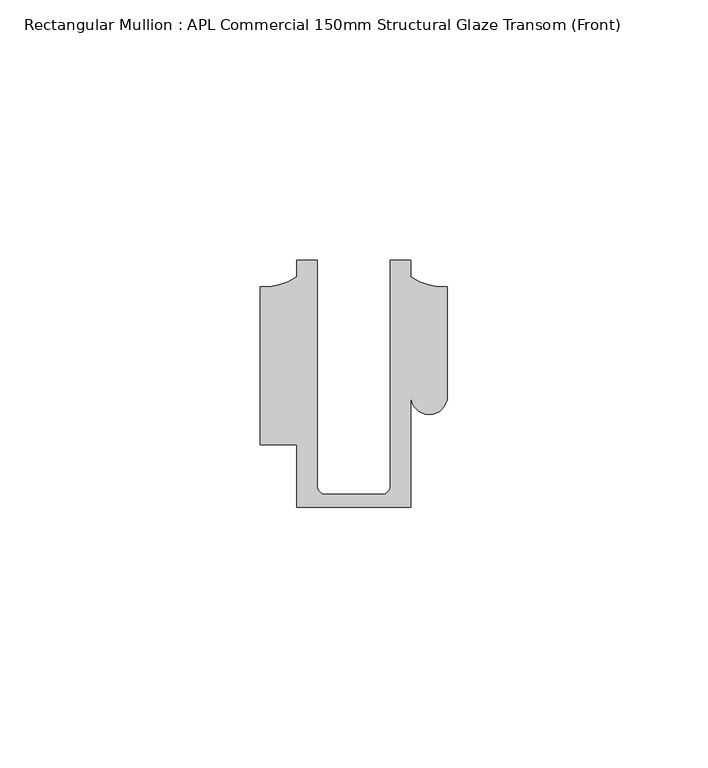
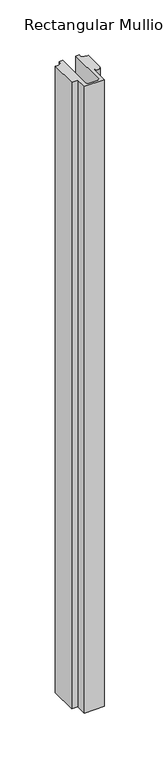
"""IFC4 building model written with IfcOpenShell, lengths in millimetres: member geometry, Rectangular Mullion : APL Commercial 150mm Structural Glaze Transom (Front)."""

from ifc_helpers import new_model, si_unit, frame, origin, place, context, project, spatial, polyline, circle_curve, source, transform, mapped, element, save
from ifc_brep_helpers import plane_surface, cylinder_surface, revolved_surface, advanced_brep


def rectangular_mullion_apl_commercial_150mm_structural_glaze_bbd1951e(model_context):
    return source(origin(), model_context, "Body", "AdvancedBrep", [
        advanced_brep(
        [(-11.0000151, -27.0, 0.0), (11.001071, -27.0, 0.0), (11.001071, -5.5848769, 0.0), (17.9999091, -5.6750512, 0.0), (17.9999542, 15.3797475, 0.0), (11.0000151, 17.3125212, 0.0), (11.0000151, 20.5, 0.0), (6.9999849, 20.5, 0.0), (6.9999849, -22.9973451, 0.0), (5.4999872, -24.5, 0.0), (-5.4999873, -24.5, 0.0), (-6.9999853, -22.9976091, 0.0), (-6.9999853, 20.5, 0.0), (-10.9999994, 20.5, 0.0), (-10.9999994, 17.3125325, 0.0), (-17.9999542, 15.3797475, 0.0), (-17.9999542, -15.0006281, 0.0), (-11.0000151, -15.0006281, 0.0), (-11.0000151, -27.0, -724.5786456), (-11.0000151, -15.0006281, -724.5786456), (-17.9999542, -15.0006281, -724.5786456), (-17.9999542, 15.3797475, -724.5786456), (-10.9999994, 17.3125325, -724.5786456), (-10.9999994, 20.5, -724.5786456), (-6.9999853, 20.5, -724.5786456), (-6.9999853, -22.9976091, -724.5786456), (-5.4999873, -24.5, -724.5786456), (5.4999872, -24.5, -724.5786456), (6.9999849, -22.9973451, -724.5786456), (6.9999849, 20.5, -724.5786456), (11.0000151, 20.5, -724.5786456), (11.0000151, 17.3125212, -724.5786456), (17.9999542, 15.3797475, -724.5786456), (17.9999542, -5.684606, -724.5786456), (11.001071, -5.5848769, -724.5786456), (11.001071, -27.0, -724.5786456)],
        [
            (0, 1),
            (1, 2),
            (2, 3, circle_curve(frame((14.4999091, -5.6750512, 0.0), z_axis=(0.0, 0.0, 1.0), x_axis=(-0.9999826028573957, 0.005898642432633649, 0.0)), 3.5)),
            (3, 4),
            (4, 5, circle_curve(frame((17.109817, 25.7981812, 0.0), z_axis=(0.0, 0.0, -1.0), x_axis=(0.0, -1.0, 0.0)), 10.4563907)),
            (5, 6),
            (6, 7),
            (7, 8),
            (8, 9, circle_curve(frame((5.4999872, -23.0, 0.0), z_axis=(0.0, 0.0, -1.0), x_axis=(0.9999999999999986, 5.463622857820516e-08, 0.0)), 1.5)),
            (9, 10),
            (10, 11, circle_curve(frame((-5.4999873, -23.0, 0.0), z_axis=(0.0, 0.0, -1.0), x_axis=(2.7320010112268853e-08, -0.9999999999999997, 0.0)), 1.5)),
            (11, 12),
            (12, 13),
            (13, 14),
            (14, 15, circle_curve(frame((-17.109817, 25.7981812, 0.0), z_axis=(0.0, 0.0, -1.0), x_axis=(0.0, -1.0, 0.0)), 10.4563907)),
            (15, 16),
            (16, 17),
            (17, 0),
            (18, 19),
            (19, 20),
            (20, 21),
            (21, 22, circle_curve(frame((-17.109817, 25.7981812, -724.5786456), z_axis=(0.0, 0.0, 1.0), x_axis=(0.0, -1.0, 0.0)), 10.4563907)),
            (22, 23),
            (23, 24),
            (24, 25),
            (25, 26, circle_curve(frame((-5.4999873, -23.0, -724.5786456), z_axis=(0.0, 0.0, 1.0), x_axis=(2.7320010112268853e-08, -0.9999999999999997, 0.0)), 1.5)),
            (26, 27),
            (27, 28, circle_curve(frame((5.4999872, -23.0, -724.5786456), z_axis=(0.0, 0.0, 1.0), x_axis=(0.9999999999999986, 5.463622857820516e-08, 0.0)), 1.5)),
            (28, 29),
            (29, 30),
            (30, 31),
            (31, 32, circle_curve(frame((17.109817, 25.7981812, -724.5786456), z_axis=(0.0, 0.0, 1.0), x_axis=(0.0, -1.0, 0.0)), 10.4563907)),
            (32, 33),
            (33, 34, circle_curve(frame((14.4999091, -5.6750512, -724.5786456), z_axis=(0.0, 0.0, -1.0), x_axis=(-0.9999826028573957, 0.005898642432633649, 0.0)), 3.5)),
            (34, 35),
            (35, 18),
            (0, 18),
            (35, 1),
            (34, 2),
            (33, 3),
            (32, 4),
            (31, 5),
            (30, 6),
            (29, 7),
            (28, 8),
            (27, 9),
            (26, 10),
            (25, 11),
            (24, 12),
            (23, 13),
            (22, 14),
            (21, 15),
            (20, 16),
            (19, 17),
        ],
        [
            plane_surface(frame((0.0, -29.1551636, 0.0), z_axis=(0.0, 0.0, 1.0), x_axis=(-1.0, 0.0, 0.0))),
            plane_surface(frame((0.0, -29.1551636, -724.5786456), z_axis=(0.0, 0.0, -1.0), x_axis=(-1.0, 0.0, 0.0))),
            plane_surface(frame((-11.0000151, -27.0, 0.0), z_axis=(0.0, -1.0, 0.0), x_axis=(0.0, 0.0, -1.0))),
            plane_surface(frame((11.001071, -27.0, 0.0), z_axis=(1.0, 0.0, 0.0), x_axis=(0.0, 0.0, -1.0))),
            cylinder_surface(frame((14.4999091, -5.6750512, 0.0), z_axis=(0.0, 0.0, 1.0), x_axis=(-0.9999826028573957, 0.005898642432633649, 0.0)), 3.5),
            plane_surface(frame((17.9999542, -5.684606, 0.0), z_axis=(1.0, 0.0, 0.0), x_axis=(0.0, 0.0, -1.0))),
            revolved_surface(polyline([(17.109817, 15.341790499999998, -724.5786456), (17.109817, 15.341790499999998, 0.0)]), (17.109817, 25.7981812, 0.0), (0.0, 0.0, -1.0)),
            plane_surface(frame((11.0000151, 17.3125212, 0.0), z_axis=(1.0, 0.0, 0.0), x_axis=(0.0, 0.0, -1.0))),
            plane_surface(frame((11.0000151, 20.5, 0.0), z_axis=(0.0, 1.0, 0.0), x_axis=(0.0, 0.0, -1.0))),
            plane_surface(frame((6.9999849, 20.5, 0.0), z_axis=(-1.0, 0.0, 0.0), x_axis=(0.0, 0.0, -1.0))),
            revolved_surface(polyline([(6.999987199999998, -22.999999918045656, -724.5786456), (6.999987199999998, -22.999999918045656, 0.0)]), (5.4999872, -23.0, 0.0), (0.0, 0.0, -1.0)),
            plane_surface(frame((5.4999872, -24.5, 0.0), z_axis=(0.0, 1.0, 0.0), x_axis=(0.0, 0.0, -1.0))),
            revolved_surface(polyline([(-5.499987259019985, -24.5, -724.5786456), (-5.499987259019985, -24.5, 0.0)]), (-5.4999873, -23.0, 0.0), (0.0, 0.0, -1.0)),
            plane_surface(frame((-6.9999853, -22.9976091, 0.0), z_axis=(1.0, 0.0, 0.0), x_axis=(0.0, 0.0, -1.0))),
            plane_surface(frame((-6.9999853, 20.5, 0.0), z_axis=(0.0, 1.0, 0.0), x_axis=(0.0, 0.0, -1.0))),
            plane_surface(frame((-10.9999994, 20.5, 0.0), z_axis=(-1.0, 0.0, 0.0), x_axis=(0.0, 0.0, -1.0))),
            revolved_surface(polyline([(-17.109817, 15.341790499999998, -724.5786456), (-17.109817, 15.341790499999998, 0.0)]), (-17.109817, 25.7981812, 0.0), (0.0, 0.0, -1.0)),
            plane_surface(frame((-17.9999542, 15.3797475, 0.0), z_axis=(-1.0, 0.0, 0.0), x_axis=(0.0, 0.0, -1.0))),
            plane_surface(frame((-17.9999542, -15.0006281, 0.0), z_axis=(0.0, -1.0, 0.0), x_axis=(0.0, 0.0, -1.0))),
            plane_surface(frame((-11.0000151, -15.0006281, 0.0), z_axis=(-1.0, 0.0, 0.0), x_axis=(0.0, 0.0, -1.0))),
        ],
        [
            (0, [[1, 2, 3, 4, 5, 6, 7, 8, 9, 10, 11, 12, 13, 14, 15, 16, 17, 18]]),
            (1, [[19, 20, 21, 22, 23, 24, 25, 26, 27, 28, 29, 30, 31, 32, 33, 34, 35, 36]]),
            (2, [[-1, 37, -36, 38]]),
            (3, [[-2, -38, -35, 39]]),
            (4, [[-3, -39, -34, 40]]),
            (5, [[-4, -40, -33, 41]]),
            (6, [[-5, -41, -32, 42]]),
            (7, [[-6, -42, -31, 43]]),
            (8, [[-7, -43, -30, 44]]),
            (9, [[-8, -44, -29, 45]]),
            (10, [[-9, -45, -28, 46]]),
            (11, [[-10, -46, -27, 47]]),
            (12, [[-11, -47, -26, 48]]),
            (13, [[-12, -48, -25, 49]]),
            (14, [[-13, -49, -24, 50]]),
            (15, [[-14, -50, -23, 51]]),
            (16, [[-15, -51, -22, 52]]),
            (17, [[-16, -52, -21, 53]]),
            (18, [[-17, -53, -20, 54]]),
            (19, [[-18, -54, -19, -37]]),
        ],
    ),
    ])


if __name__ == "__main__":
    model = new_model("IFC4")
    model_context = context("Model", 3, world=origin())
    ifc_project = project(units=[si_unit("LENGTHUNIT", "METRE", prefix="MILLI")], contexts=[model_context])
    site = spatial("IfcSite", under=ifc_project)
    building = spatial("IfcBuilding", under=site)
    placement = place(None, origin())
    rectangular_mullion_apl_commercial_150mm_structural_glaze_shape = rectangular_mullion_apl_commercial_150mm_structural_glaze_bbd1951e(model_context)
    element("IfcMember", 1, ObjectType="Rectangular Mullion : APL Commercial 150mm Structural Glaze Transom (Front)", at=placement, inside=building, context=model_context, shape_type="MappedRepresentation", body=[
        mapped(rectangular_mullion_apl_commercial_150mm_structural_glaze_shape, transform((0.0, 0.0, 0.0), x_axis=(1.0, 0.0, 0.0), y_axis=(0.0, 1.0, 0.0), z_axis=(0.0, 0.0, 1.0))),
    ])
    save(model, "model.ifc")
